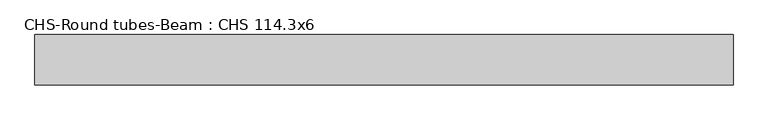
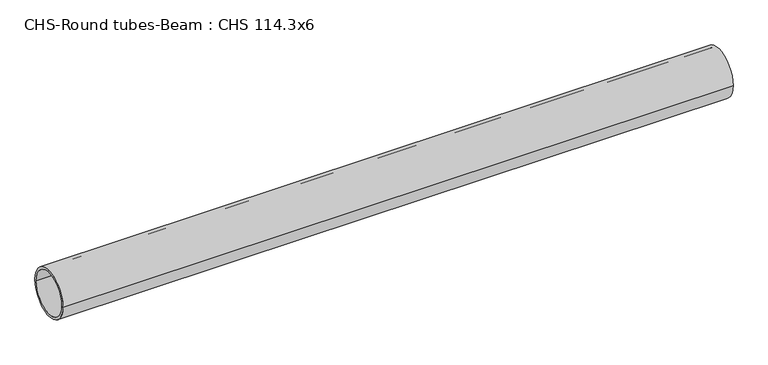
"""IFC4 building model written with IfcOpenShell, lengths in millimetres: beam geometry, CHS-Round tubes-Beam : CHS 114.3x6."""

from ifc_helpers import new_model, si_unit, point, frame, origin, origin_2d, place, context, project, spatial, circle_curve, trimmed, segment, composite_curve, outline, extrude, source, transform, mapped, element, save


def chs_round_tubes_beam_chs_114_3x6_6cf4cef1(model_context):
    return source(origin(), model_context, "Body", "SweptSolid", [
        extrude(outline(composite_curve([segment(trimmed(circle_curve(origin_2d(), 57.15), [point((57.15, 0.0))], [point((-57.15, 0.0))], False, "CARTESIAN"), True, "CONTINUOUS"), segment(trimmed(circle_curve(origin_2d(), 57.15), [point((-57.15, 0.0))], [point((57.15, 0.0))], False, "CARTESIAN"), True, "CONTINUOUS")], self_intersect=False), holes=[composite_curve([segment(trimmed(circle_curve(origin_2d(), 51.15), [point((51.15, 0.0))], [point((-51.15, 0.0))], True, "CARTESIAN"), True, "CONTINUOUS"), segment(trimmed(circle_curve(origin_2d(), 51.15), [point((-51.15, 0.0))], [point((51.15, 0.0))], True, "CARTESIAN"), True, "CONTINUOUS")], self_intersect=False)]), frame((-784.8924726, 0.0, 0.0), z_axis=(1.0, 0.0, 0.0), x_axis=(0.0, 1.0, 0.0)), (0.0, 0.0, 1.0), 1580.5678668),
    ])


if __name__ == "__main__":
    model = new_model("IFC4")
    model_context = context("Model", 3, world=origin())
    ifc_project = project(units=[si_unit("LENGTHUNIT", "METRE", prefix="MILLI")], contexts=[model_context])
    site = spatial("IfcSite", under=ifc_project)
    building = spatial("IfcBuilding", under=site)
    placement = place(None, origin())
    chs_round_tubes_beam_chs_114_3x6_shape = chs_round_tubes_beam_chs_114_3x6_6cf4cef1(model_context)
    element("IfcBeam", 1, ObjectType="CHS-Round tubes-Beam : CHS 114.3x6", at=placement, inside=building, context=model_context, shape_type="MappedRepresentation", body=[
        mapped(chs_round_tubes_beam_chs_114_3x6_shape, transform((0.0, 0.0, 0.0), x_axis=(1.0, 0.0, 0.0), y_axis=(0.0, 1.0, 0.0), z_axis=(0.0, 0.0, 1.0))),
    ])
    save(model, "model.ifc")
